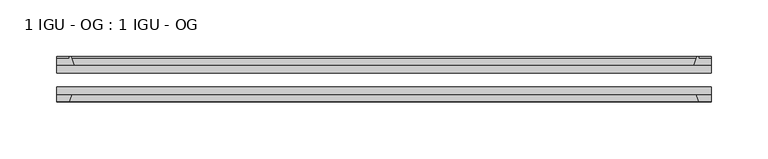
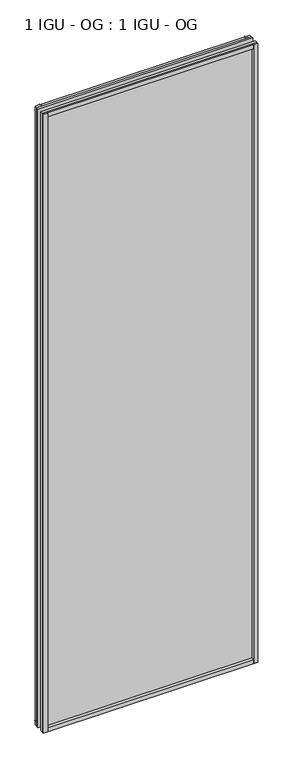
"""IFC4 building model written with IfcOpenShell, lengths in millimetres: plate geometry, 1 IGU - OG : 1 IGU - OG."""

from ifc_helpers import new_model, si_unit, point, frame, frame_2d, origin, place, context, project, spatial, polyline, circle_curve, trimmed, segment, composite_curve, outline, extrude, source, transform, mapped, element, save


def plate_1_igu_og_1_igu_og_3d8eb8ff(model_context):
    return source(origin(), model_context, "Body", "SweptSolid", [
        extrude(outline(polyline([(307.0099858, -31.75), (307.0099858, -38.1), (-268.9099858, -38.1), (-268.9099858, -31.75), (307.0099858, -31.75)])), frame((0.0, 0.0, -11.1125), z_axis=(0.0, 0.0, 1.0), x_axis=(1.0, 0.0, 0.0)), (0.0, 0.0, 1.0), 1755.775),
        extrude(outline(polyline([(-268.9099858, -12.7), (307.0099858, -12.7), (307.0099858, -19.05), (-268.9099858, -19.05), (-268.9099858, -12.7)])), frame((0.0, 0.0, -11.1125), z_axis=(0.0, 0.0, 1.0), x_axis=(1.0, 0.0, 0.0)), (0.0, 0.0, 1.0), 1755.775),
        extrude(outline(composite_curve([segment(polyline([(-253.5741949, -12.7), (-268.9099858, -12.7), (-268.9099858, -6.35), (-257.7974858, -6.35), (-257.7974858, -4.7751661), (-256.8680719, -4.7751661)]), True, "CONTINUOUS"), segment(trimmed(circle_curve(frame_2d((-256.8680719, -5.5371661)), 0.762), [point((-256.8680719, -4.7751661))], [point((-256.1258619, -5.364631))], False, "CARTESIAN"), True, "CONTINUOUS"), segment(trimmed(circle_curve(frame_2d((-220.4966437, 2.9177851)), 36.5792237), [point((-256.1258619, -5.364631))], [point((-253.5741949, -12.7))], True, "CARTESIAN"), True, "CONTINUOUS")], self_intersect=False)), frame((0.0, 0.0, -11.1125), z_axis=(0.0, 0.0, 1.0), x_axis=(1.0, 0.0, 0.0)), (0.0, 0.0, 1.0), 1755.775),
        extrude(outline(polyline([(-268.9099858, -38.1), (-255.6922087, -38.1), (-257.7974858, -44.45), (-268.9099858, -44.45), (-268.9099858, -38.1)])), frame((0.0, 0.0, -11.1125), z_axis=(0.0, 0.0, 1.0), x_axis=(1.0, 0.0, 0.0)), (0.0, 0.0, 1.0), 1755.775),
        extrude(outline(composite_curve([segment(trimmed(circle_curve(frame_2d((294.9680719, -5.5371661)), 0.762), [point((294.2258619, -5.364631))], [point((294.9680719, -4.7751661))], False, "CARTESIAN"), True, "CONTINUOUS"), segment(polyline([(294.9680719, -4.7751661), (295.8974858, -4.7751661), (295.8974858, -6.35), (307.0099858, -6.35), (307.0099858, -12.7), (291.6741949, -12.7)]), True, "CONTINUOUS"), segment(trimmed(circle_curve(frame_2d((258.5966437, 2.9177851)), 36.5792237), [point((291.6741949, -12.7))], [point((294.2258619, -5.364631))], True, "CARTESIAN"), True, "CONTINUOUS")], self_intersect=False)), frame((0.0, 0.0, -11.1125), z_axis=(0.0, 0.0, 1.0), x_axis=(1.0, 0.0, 0.0)), (0.0, 0.0, 1.0), 1755.775),
        extrude(outline(polyline([(293.7922087, -38.1), (307.0099858, -38.1), (307.0099858, -44.45), (295.8974858, -44.45), (293.7922087, -38.1)])), frame((0.0, 0.0, -11.1125), z_axis=(0.0, 0.0, 1.0), x_axis=(1.0, 0.0, 0.0)), (0.0, 0.0, 1.0), 1755.775),
        extrude(outline(composite_curve([segment(polyline([(-12.7, -11.1125), (-12.7, 4.2232909)]), True, "CONTINUOUS"), segment(trimmed(circle_curve(frame_2d((2.9177851, 37.3008421)), 36.5792237), [point((-12.7, 4.2232909))], [point((-5.364631, 1.6716239))], True, "CARTESIAN"), True, "CONTINUOUS"), segment(trimmed(circle_curve(frame_2d((-5.5371661, 0.929414)), 0.762), [point((-5.364631, 1.6716239))], [point((-4.7751661, 0.929414))], False, "CARTESIAN"), True, "CONTINUOUS"), segment(polyline([(-4.7751661, 0.929414), (-4.7751661, 0.0), (-6.35, 0.0), (-6.35, -11.1125), (-12.7, -11.1125)]), True, "CONTINUOUS")], self_intersect=False)), frame((-268.9099858, 0.0, 0.0), z_axis=(1.0, 0.0, 0.0), x_axis=(0.0, 1.0, 0.0)), (0.0, 0.0, 1.0), 575.9199716),
        extrude(outline(polyline([(-38.1, 2.1052771), (-38.1, -11.1125), (-44.45, -11.1125), (-44.45, 0.0), (-38.1, 2.1052771)])), frame((-268.9099858, 0.0, 0.0), z_axis=(1.0, 0.0, 0.0), x_axis=(0.0, 1.0, 0.0)), (0.0, 0.0, 1.0), 575.9199716),
        extrude(outline(composite_curve([segment(trimmed(circle_curve(frame_2d((2.9177851, 1696.2491579)), 36.5792237), [point((-5.364631, 1731.8783761))], [point((-12.7, 1729.3267091))], True, "CARTESIAN"), True, "CONTINUOUS"), segment(polyline([(-12.7, 1729.3267091), (-12.7, 1744.6625), (-6.35, 1744.6625), (-6.35, 1733.55), (-4.7751661, 1733.55), (-4.7751661, 1732.620586)]), True, "CONTINUOUS"), segment(trimmed(circle_curve(frame_2d((-5.5371661, 1732.620586)), 0.762), [point((-4.7751661, 1732.620586))], [point((-5.364631, 1731.8783761))], False, "CARTESIAN"), True, "CONTINUOUS")], self_intersect=False)), frame((-268.9099858, 0.0, 0.0), z_axis=(1.0, 0.0, 0.0), x_axis=(0.0, 1.0, 0.0)), (0.0, 0.0, 1.0), 575.9199716),
        extrude(outline(polyline([(-38.1, 1744.6625), (-38.1, 1731.4447229), (-44.45, 1733.55), (-44.45, 1744.6625), (-38.1, 1744.6625)])), frame((-268.9099858, 0.0, 0.0), z_axis=(1.0, 0.0, 0.0), x_axis=(0.0, 1.0, 0.0)), (0.0, 0.0, 1.0), 575.9199716),
    ])


if __name__ == "__main__":
    model = new_model("IFC4")
    model_context = context("Model", 3, world=origin())
    ifc_project = project(units=[si_unit("LENGTHUNIT", "METRE", prefix="MILLI")], contexts=[model_context])
    site = spatial("IfcSite", under=ifc_project)
    building = spatial("IfcBuilding", under=site)
    placement = place(None, origin())
    plate_1_igu_og_1_igu_og_shape = plate_1_igu_og_1_igu_og_3d8eb8ff(model_context)
    element("IfcPlate", 1, ObjectType="1 IGU - OG : 1 IGU - OG", at=placement, inside=building, context=model_context, shape_type="MappedRepresentation", body=[
        mapped(plate_1_igu_og_1_igu_og_shape, transform((0.0, 0.0, 0.0), x_axis=(1.0, 0.0, 0.0), y_axis=(0.0, 1.0, 0.0), z_axis=(0.0, 0.0, 1.0))),
    ])
    save(model, "model.ifc")
